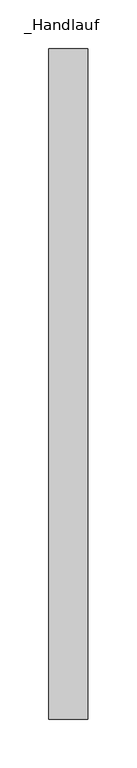
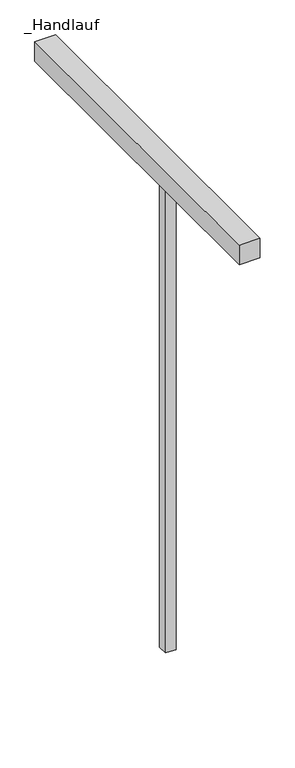
"""IFC4 building model written with IfcOpenShell, lengths in millimetres: railing geometry, _Handlauf."""

from ifc_helpers import new_model, si_unit, frame, origin, place, context, project, spatial, polyline, outline, extrude, source, transform, mapped, element, save


def handlauf_a2fd48cf(model_context):
    return source(origin(), model_context, "Body", "SweptSolid", [
        extrude(outline(polyline([(1960.0, 8050.0), (2000.0, 8050.0), (2000.0, 7362.6), (1960.0, 7362.6), (1960.0, 8050.0)])), frame((0.0, 0.0, 7960.0), z_axis=(0.0, 0.0, 1.0), x_axis=(1.0, 0.0, 0.0)), (0.0, 0.0, 1.0), 40.0),
        extrude(outline(polyline([(1970.0, 7647.56), (1990.0, 7647.56), (1990.0, 7627.56), (1970.0, 7627.56), (1970.0, 7647.56)])), frame((0.0, 0.0, 7000.0), z_axis=(0.0, 0.0, 1.0), x_axis=(1.0, 0.0, 0.0)), (0.0, 0.0, 1.0), 960.0),
    ])


if __name__ == "__main__":
    model = new_model("IFC4")
    model_context = context("Model", 3, world=origin())
    ifc_project = project(units=[si_unit("LENGTHUNIT", "METRE", prefix="MILLI")], contexts=[model_context])
    site = spatial("IfcSite", under=ifc_project)
    building = spatial("IfcBuilding", under=site)
    placement = place(None, origin())
    handlauf_shape = handlauf_a2fd48cf(model_context)
    element("IfcRailing", 1, ObjectType="_Handlauf", at=placement, inside=building, context=model_context, shape_type="MappedRepresentation", body=[
        mapped(handlauf_shape, transform((0.0, 0.0, 0.0), x_axis=(1.0, 0.0, 0.0), y_axis=(0.0, 1.0, 0.0), z_axis=(0.0, 0.0, 1.0))),
    ])
    save(model, "model.ifc")
